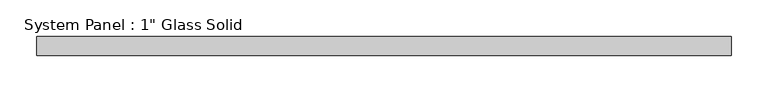
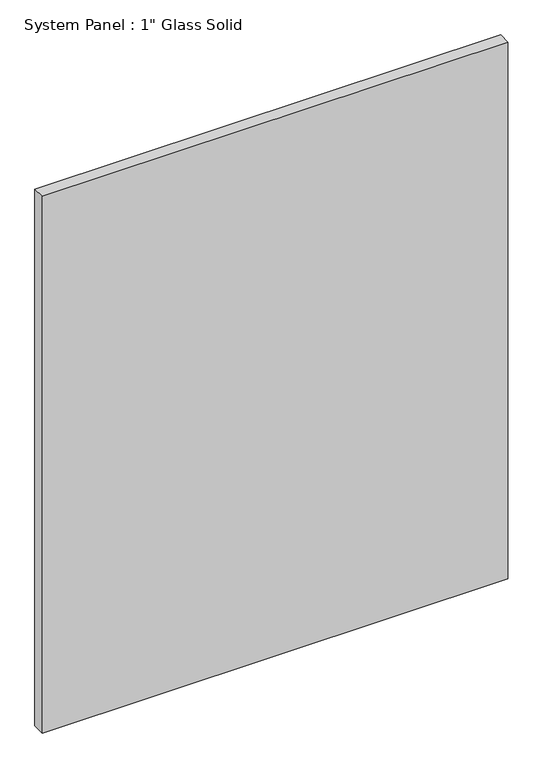
"""IFC4 building model written with IfcOpenShell, lengths in millimetres: plate geometry."""

from ifc_helpers import new_model, si_unit, origin, origin_with_axes, place, context, project, spatial, polyline, outline, extrude, source, transform, mapped, element, save


def plate_cb5fabea(model_context):
    return source(origin(), model_context, "Body", "SweptSolid", [
        extrude(outline(polyline([(471.4875, -12.7), (-471.4875, -12.7), (-471.4875, 12.7), (471.4875, 12.7), (471.4875, -12.7)])), origin_with_axes(), (0.0, 0.0, 1.0), 1149.3517704),
    ])


if __name__ == "__main__":
    model = new_model("IFC4")
    model_context = context("Model", 3, world=origin())
    ifc_project = project(units=[si_unit("LENGTHUNIT", "METRE", prefix="MILLI")], contexts=[model_context])
    site = spatial("IfcSite", under=ifc_project)
    building = spatial("IfcBuilding", under=site)
    placement = place(None, origin())
    plate_shape = plate_cb5fabea(model_context)
    element("IfcPlate", 1, ObjectType="System Panel : 1\" Glass Solid", at=placement, inside=building, context=model_context, shape_type="MappedRepresentation", body=[
        mapped(plate_shape, transform((0.0, 0.0, 0.0), x_axis=(1.0, 0.0, 0.0), y_axis=(0.0, 1.0, 0.0), z_axis=(0.0, 0.0, 1.0))),
    ])
    save(model, "model.ifc")
